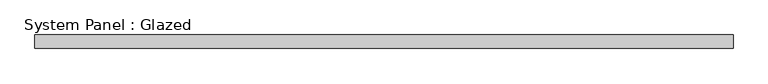
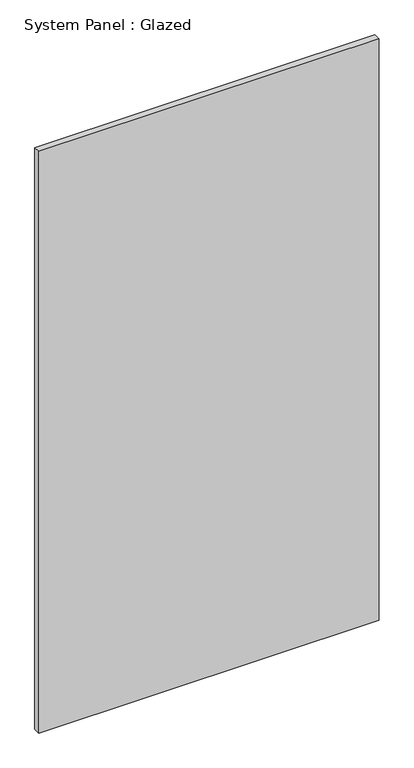
"""IFC4 building model written with IfcOpenShell, lengths in millimetres: plate geometry, System Panel : Glazed."""

from ifc_helpers import new_model, si_unit, origin, origin_with_axes, place, context, project, spatial, polyline, outline, extrude, source, transform, mapped, element, save


def system_panel_glazed_bb5f2c3c(model_context):
    return source(origin(), model_context, "Body", "SweptSolid", [
        extrude(outline(polyline([(643.75, 24.5), (-643.75, 24.5), (-643.75, 49.5), (643.75, 49.5), (643.75, 24.5)])), origin_with_axes(), (0.0, 0.0, 1.0), 2325.0),
    ])


if __name__ == "__main__":
    model = new_model("IFC4")
    model_context = context("Model", 3, world=origin())
    ifc_project = project(units=[si_unit("LENGTHUNIT", "METRE", prefix="MILLI")], contexts=[model_context])
    site = spatial("IfcSite", under=ifc_project)
    building = spatial("IfcBuilding", under=site)
    placement = place(None, origin())
    system_panel_glazed_shape = system_panel_glazed_bb5f2c3c(model_context)
    element("IfcPlate", 1, ObjectType="System Panel : Glazed", at=placement, inside=building, context=model_context, shape_type="MappedRepresentation", body=[
        mapped(system_panel_glazed_shape, transform((0.0, 0.0, 0.0), x_axis=(1.0, 0.0, 0.0), y_axis=(0.0, 1.0, 0.0), z_axis=(0.0, 0.0, 1.0))),
    ])
    save(model, "model.ifc")
